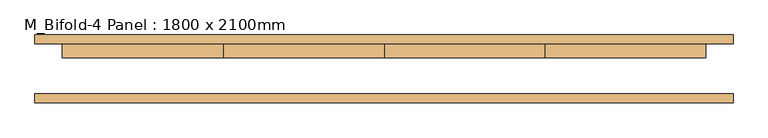
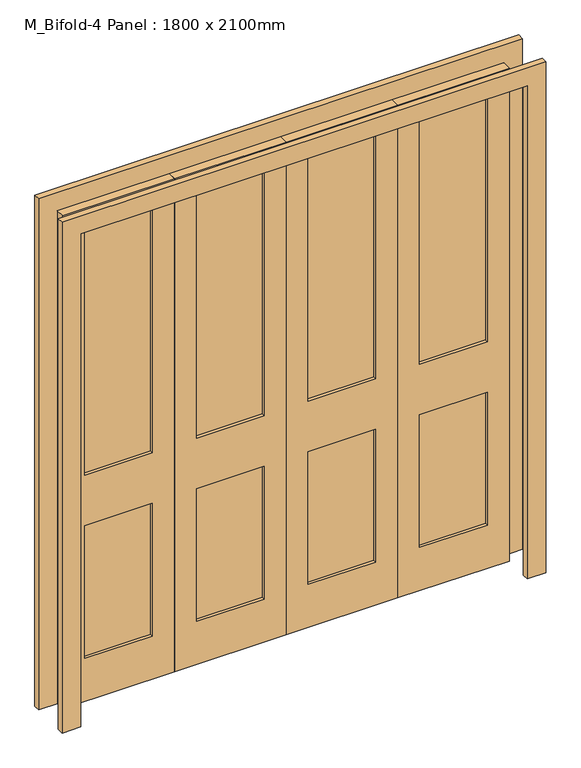
"""IFC4 building model written with IfcOpenShell, lengths in millimetres: door geometry, M_Bifold-4 Panel : 1800 x 2100mm."""

from ifc_helpers import new_model, si_unit, frame, origin, place, context, project, spatial, polyline, outline, extrude, source, transform, mapped, element, save


def m_bifold_4_panel_1800_x_2100mm_dd8e598d(model_context):
    return source(origin(), model_context, "Body", "SweptSolid", [
        extrude(outline(polyline([(538.9, 56.55), (811.1, 56.55), (811.1, 43.85), (538.9, 43.85), (538.9, 56.55)])), frame((0.0, 0.0, 965.2), z_axis=(0.0, 0.0, 1.0), x_axis=(1.0, 0.0, 0.0)), (0.0, 0.0, 1.0), 1052.25),
        extrude(outline(polyline([(538.9, 56.55), (811.1, 56.55), (811.1, 43.85), (538.9, 43.85), (538.9, 56.55)])), frame((0.0, 0.0, 184.15), z_axis=(0.0, 0.0, 1.0), x_axis=(1.0, 0.0, 0.0)), (0.0, 0.0, 1.0), 565.15),
        extrude(outline(polyline([(88.9, 56.55), (361.1, 56.55), (361.1, 43.85), (88.9, 43.85), (88.9, 56.55)])), frame((0.0, 0.0, 965.2), z_axis=(0.0, 0.0, 1.0), x_axis=(1.0, 0.0, 0.0)), (0.0, 0.0, 1.0), 1052.25),
        extrude(outline(polyline([(88.9, 56.55), (361.1, 56.55), (361.1, 43.85), (88.9, 43.85), (88.9, 56.55)])), frame((0.0, 0.0, 184.15), z_axis=(0.0, 0.0, 1.0), x_axis=(1.0, 0.0, 0.0)), (0.0, 0.0, 1.0), 565.15),
        extrude(outline(polyline([(-361.1, 56.55), (-88.9, 56.55), (-88.9, 43.85), (-361.1, 43.85), (-361.1, 56.55)])), frame((0.0, 0.0, 184.15), z_axis=(0.0, 0.0, 1.0), x_axis=(1.0, 0.0, 0.0)), (0.0, 0.0, 1.0), 565.15),
        extrude(outline(polyline([(-361.1, 56.55), (-88.9, 56.55), (-88.9, 43.85), (-361.1, 43.85), (-361.1, 56.55)])), frame((0.0, 0.0, 965.2), z_axis=(0.0, 0.0, 1.0), x_axis=(1.0, 0.0, 0.0)), (0.0, 0.0, 1.0), 1052.25),
        extrude(outline(polyline([(-811.1, 56.55), (-538.9, 56.55), (-538.9, 43.85), (-811.1, 43.85), (-811.1, 56.55)])), frame((0.0, 0.0, 965.2), z_axis=(0.0, 0.0, 1.0), x_axis=(1.0, 0.0, 0.0)), (0.0, 0.0, 1.0), 1052.25),
        extrude(outline(polyline([(-811.1, 56.55), (-538.9, 56.55), (-538.9, 43.85), (-811.1, 43.85), (-811.1, 56.55)])), frame((0.0, 0.0, 184.15), z_axis=(0.0, 0.0, 1.0), x_axis=(1.0, 0.0, 0.0)), (0.0, 0.0, 1.0), 565.15),
        extrude(outline(polyline([(0.0, 976.0), (2176.0, 976.0), (2176.0, -976.0), (0.0, -976.0), (0.0, -900.0), (2100.0, -900.0), (2100.0, 900.0), (0.0, 900.0), (0.0, 976.0)])), frame((0.0, -94.65, 0.0), z_axis=(0.0, 1.0, 0.0), x_axis=(0.0, 0.0, 1.0)), (0.0, 0.0, 1.0), 25.4),
        extrude(outline(polyline([(0.0, 976.0), (2176.0, 976.0), (2176.0, -976.0), (0.0, -976.0), (0.0, -900.0), (2100.0, -900.0), (2100.0, 900.0), (0.0, 900.0), (0.0, 976.0)])), frame((0.0, 69.25, 0.0), z_axis=(0.0, 1.0, 0.0), x_axis=(0.0, 0.0, 1.0)), (0.0, 0.0, 1.0), 25.4),
        extrude(outline(polyline([(0.0, -900.0), (0.0, -450.0), (2100.0, -450.0), (2100.0, -900.0), (0.0, -900.0)]), holes=[polyline([(2017.45, -811.1), (2017.45, -538.9), (965.2, -538.9), (965.2, -811.1), (2017.45, -811.1)]), polyline([(749.3, -811.1), (749.3, -538.9), (184.15, -538.9), (184.15, -811.1), (749.3, -811.1)])]), frame((0.0, 31.15, 0.0), z_axis=(0.0, 1.0, 0.0), x_axis=(0.0, 0.0, 1.0)), (0.0, 0.0, 1.0), 38.1),
        extrude(outline(polyline([(0.0, -450.0), (0.0, 0.0), (2100.0, 0.0), (2100.0, -450.0), (0.0, -450.0)]), holes=[polyline([(2017.45, -361.1), (2017.45, -88.9), (965.2, -88.9), (965.2, -361.1), (2017.45, -361.1)]), polyline([(749.3, -361.1), (749.3, -88.9), (184.15, -88.9), (184.15, -361.1), (749.3, -361.1)])]), frame((0.0, 31.15, 0.0), z_axis=(0.0, 1.0, 0.0), x_axis=(0.0, 0.0, 1.0)), (0.0, 0.0, 1.0), 38.1),
        extrude(outline(polyline([(0.0, 0.0), (0.0, 450.0), (2100.0, 450.0), (2100.0, 0.0), (0.0, 0.0)]), holes=[polyline([(2017.45, 88.9), (2017.45, 361.1), (965.2, 361.1), (965.2, 88.9), (2017.45, 88.9)]), polyline([(749.3, 88.9), (749.3, 361.1), (184.15, 361.1), (184.15, 88.9), (749.3, 88.9)])]), frame((0.0, 31.15, 0.0), z_axis=(0.0, 1.0, 0.0), x_axis=(0.0, 0.0, 1.0)), (0.0, 0.0, 1.0), 38.1),
        extrude(outline(polyline([(0.0, 450.0), (0.0, 900.0), (2100.0, 900.0), (2100.0, 450.0), (0.0, 450.0)]), holes=[polyline([(2017.45, 538.9), (2017.45, 811.1), (965.2, 811.1), (965.2, 538.9), (2017.45, 538.9)]), polyline([(749.3, 538.9), (749.3, 811.1), (184.15, 811.1), (184.15, 538.9), (749.3, 538.9)])]), frame((0.0, 31.15, 0.0), z_axis=(0.0, 1.0, 0.0), x_axis=(0.0, 0.0, 1.0)), (0.0, 0.0, 1.0), 38.1),
    ])


if __name__ == "__main__":
    model = new_model("IFC4")
    model_context = context("Model", 3, world=origin())
    ifc_project = project(units=[si_unit("LENGTHUNIT", "METRE", prefix="MILLI")], contexts=[model_context])
    site = spatial("IfcSite", under=ifc_project)
    building = spatial("IfcBuilding", under=site)
    placement = place(None, origin())
    m_bifold_4_panel_1800_x_2100mm_shape = m_bifold_4_panel_1800_x_2100mm_dd8e598d(model_context)
    element("IfcDoor", 1, ObjectType="M_Bifold-4 Panel : 1800 x 2100mm", at=placement, inside=building, context=model_context, shape_type="MappedRepresentation", body=[
        mapped(m_bifold_4_panel_1800_x_2100mm_shape, transform((0.0, 0.0, 0.0), x_axis=(1.0, 0.0, 0.0), y_axis=(0.0, 1.0, 0.0), z_axis=(0.0, 0.0, 1.0))),
    ])
    save(model, "model.ifc")
